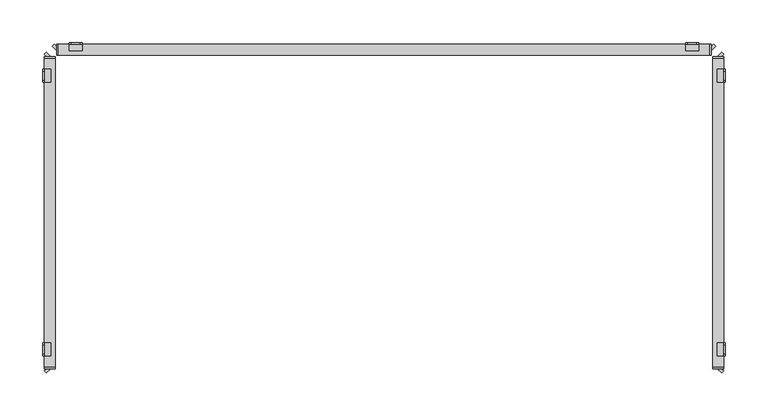
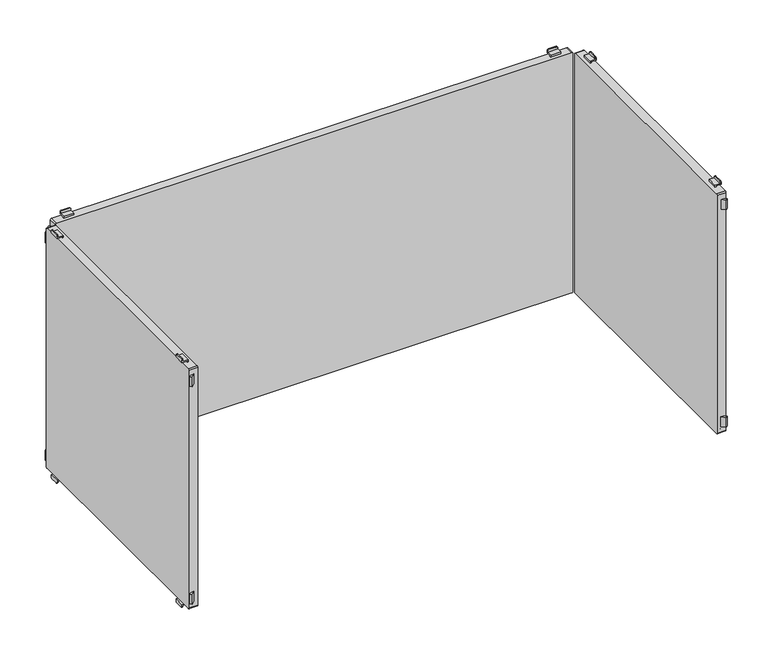
"""IFC4 building model written with IfcOpenShell, lengths in millimetres: furniture geometry."""

from ifc_helpers import new_model, si_unit, point, frame, frame_2d, origin, place, context, project, spatial, polyline, circle_curve, trimmed, segment, composite_curve, outline, extrude, source, transform, mapped, element, save
from ifc_brep_helpers import plane_surface, cylinder_surface, advanced_brep


def furniture_8095f266(model_context):
    return source(origin(), model_context, "Body", "SolidModel", [
        advanced_brep(
        [(352.5, 197.0, 915.5), (354.5, 197.0, 913.5), (365.5, 197.0, 913.5), (367.5, 197.0, 915.5), (367.5, 197.0, 917.0), (352.5, 197.0, 917.0), (352.5, 198.5, 918.5), (367.5, 198.5, 918.5), (367.5, 198.5, 915.5), (365.5, 198.5, 913.5), (354.5, 198.5, 913.5), (352.5, 198.5, 915.5), (352.5, 189.5011497, 917.0), (352.5, 189.5011497, 920.0), (352.5, 191.0011497, 920.0), (352.5, 191.0011497, 918.5), (367.5, 191.0011497, 918.5), (367.5, 191.0011497, 920.0), (367.5, 189.5011497, 920.0), (367.5, 189.5011497, 917.0)],
        [
            (0, 1, circle_curve(frame((354.5, 197.0, 915.5), z_axis=(0.0, -1.0, 0.0), x_axis=(1.0, 0.0, 0.0)), 2.0)),
            (1, 2),
            (2, 3, circle_curve(frame((365.5, 197.0, 915.5), z_axis=(0.0, -1.0, 0.0), x_axis=(1.0, 0.0, 0.0)), 2.0)),
            (3, 4),
            (4, 5),
            (5, 0),
            (6, 7),
            (7, 8),
            (8, 9, circle_curve(frame((365.5, 198.5, 915.5), z_axis=(0.0, 1.0, 0.0), x_axis=(1.0, 0.0, 0.0)), 2.0)),
            (9, 10),
            (10, 11, circle_curve(frame((354.5, 198.5, 915.5), z_axis=(0.0, 1.0, 0.0), x_axis=(1.0, 0.0, 0.0)), 2.0)),
            (11, 6),
            (11, 0),
            (5, 12),
            (12, 13),
            (13, 14),
            (14, 15),
            (15, 6),
            (10, 1),
            (9, 2),
            (8, 3),
            (7, 16),
            (16, 17),
            (17, 18),
            (18, 19),
            (19, 4),
            (15, 16),
            (12, 19),
            (18, 13),
            (17, 14),
        ],
        [
            plane_surface(frame((352.5, 197.0, 917.0), z_axis=(0.0, -1.0, 0.0), x_axis=(0.0, 0.0, -1.0))),
            plane_surface(frame((352.5, 198.5, 917.0), z_axis=(0.0, 1.0, 0.0), x_axis=(0.0, 0.0, 1.0))),
            plane_surface(frame((352.5, 197.0, 918.5), z_axis=(-1.0, 0.0, 0.0), x_axis=(0.0, 1.0, 0.0))),
            cylinder_surface(frame((354.5, 198.5, 915.5), z_axis=(0.0, -1.0, 0.0), x_axis=(1.0, 0.0, 0.0)), 2.0),
            plane_surface(frame((354.5, 197.0, 913.5), z_axis=(0.0, 0.0, -1.0), x_axis=(0.0, 1.0, 0.0))),
            cylinder_surface(frame((365.5, 198.5, 915.5), z_axis=(0.0, -1.0, 0.0), x_axis=(1.0, 0.0, 0.0)), 2.0),
            plane_surface(frame((367.5, 197.0, 915.5), z_axis=(1.0, 0.0, 0.0), x_axis=(0.0, 1.0, 0.0))),
            plane_surface(frame((367.5, 197.0, 918.5), z_axis=(0.0, 0.0, 1.0), x_axis=(0.0, 1.0, 0.0))),
            plane_surface(frame((352.5, 189.5011497, 917.0), z_axis=(0.0, -1.0, 0.0), x_axis=(1.0, 0.0, 0.0))),
            plane_surface(frame((352.5, 189.5011497, 920.0), z_axis=(0.0, 0.0, 1.0), x_axis=(1.0, 0.0, 0.0))),
            plane_surface(frame((352.5, 191.0011497, 920.0), z_axis=(0.0, 1.0, 0.0), x_axis=(1.0, 0.0, 0.0))),
            plane_surface(frame((352.5, 197.0, 917.0), z_axis=(0.0, 0.0, -1.0), x_axis=(1.0, 0.0, 0.0))),
        ],
        [
            (0, [[1, 2, 3, 4, 5, 6]]),
            (1, [[7, 8, 9, 10, 11, 12]]),
            (2, [[-12, 13, -6, 14, 15, 16, 17, 18]]),
            (3, [[-1, -13, -11, 19]]),
            (4, [[-2, -19, -10, 20]]),
            (5, [[-3, -20, -9, 21]]),
            (6, [[-8, 22, 23, 24, 25, 26, -4, -21]]),
            (7, [[-22, -7, -18, 27]]),
            (8, [[-15, 28, -25, 29]]),
            (9, [[-16, -29, -24, 30]]),
            (10, [[-17, -30, -23, -27]]),
            (11, [[-14, -5, -26, -28]]),
        ],
    ),
        advanced_brep(
        [(-367.5, 197.0, 915.5), (-365.5, 197.0, 913.5), (-354.5, 197.0, 913.5), (-352.5, 197.0, 915.5), (-352.5, 197.0, 917.0), (-367.5, 197.0, 917.0), (-352.5, 198.5, 918.5), (-352.5, 198.5, 915.5), (-354.5, 198.5, 913.5), (-365.5, 198.5, 913.5), (-367.5, 198.5, 915.5), (-367.5, 198.5, 918.5), (-367.5, 191.0011497, 918.5), (-352.5, 191.0011497, 918.5), (-367.5, 189.5011497, 917.0), (-367.5, 189.5011497, 920.0), (-367.5, 191.0011497, 920.0), (-352.5, 191.0011497, 920.0), (-352.5, 189.5011497, 920.0), (-352.5, 189.5011497, 917.0)],
        [
            (0, 1, circle_curve(frame((-365.5, 197.0, 915.5), z_axis=(0.0, -1.0, 0.0), x_axis=(1.0, 0.0, 0.0)), 2.0)),
            (1, 2),
            (2, 3, circle_curve(frame((-354.5, 197.0, 915.5), z_axis=(0.0, -1.0, 0.0), x_axis=(1.0, 0.0, 0.0)), 2.0)),
            (3, 4),
            (4, 5),
            (5, 0),
            (6, 7),
            (7, 8, circle_curve(frame((-354.5, 198.5, 915.5), z_axis=(0.0, 1.0, 0.0), x_axis=(1.0, 0.0, 0.0)), 2.0)),
            (8, 9),
            (9, 10, circle_curve(frame((-365.5, 198.5, 915.5), z_axis=(0.0, 1.0, 0.0), x_axis=(1.0, 0.0, 0.0)), 2.0)),
            (10, 11),
            (11, 6),
            (11, 12),
            (12, 13),
            (13, 6),
            (10, 0),
            (5, 14),
            (14, 15),
            (15, 16),
            (16, 12),
            (9, 1),
            (8, 2),
            (7, 3),
            (13, 17),
            (17, 18),
            (18, 19),
            (19, 4),
            (18, 15),
            (14, 19),
            (17, 16),
        ],
        [
            plane_surface(frame((352.5, 197.0, 917.0), z_axis=(0.0, -1.0, 0.0), x_axis=(0.0, 0.0, -1.0))),
            plane_surface(frame((352.5, 198.5, 917.0), z_axis=(0.0, 1.0, 0.0), x_axis=(0.0, 0.0, 1.0))),
            plane_surface(frame((-352.5, 197.0, 918.5), z_axis=(0.0, 0.0, 1.0), x_axis=(0.0, 1.0, 0.0))),
            plane_surface(frame((-367.5, 197.0, 918.5), z_axis=(-1.0, 0.0, 0.0), x_axis=(0.0, 1.0, 0.0))),
            cylinder_surface(frame((-365.5, 200.0, 915.5), z_axis=(0.0, -1.0, 0.0), x_axis=(1.0, 0.0, 0.0)), 2.0),
            plane_surface(frame((-365.5, 197.0, 913.5), z_axis=(0.0, 0.0, -1.0), x_axis=(0.0, 1.0, 0.0))),
            cylinder_surface(frame((-354.5, 200.0, 915.5), z_axis=(0.0, -1.0, 0.0), x_axis=(1.0, 0.0, 0.0)), 2.0),
            plane_surface(frame((-352.5, 197.0, 915.5), z_axis=(1.0, 0.0, 0.0), x_axis=(0.0, 1.0, 0.0))),
            plane_surface(frame((-352.5, 189.5011497, 920.0), z_axis=(0.0, -1.0, 0.0), x_axis=(-1.0, 0.0, 0.0))),
            plane_surface(frame((-352.5, 191.0011497, 920.0), z_axis=(0.0, 0.0, 1.0), x_axis=(-1.0, 0.0, 0.0))),
            plane_surface(frame((-352.5, 191.0011497, 918.5), z_axis=(0.0, 1.0, 0.0), x_axis=(-1.0, 0.0, 0.0))),
            plane_surface(frame((-352.5, 189.5011497, 917.0), z_axis=(0.0, 0.0, -1.0), x_axis=(-1.0, 0.0, 0.0))),
        ],
        [
            (0, [[1, 2, 3, 4, 5, 6]]),
            (1, [[7, 8, 9, 10, 11, 12]]),
            (2, [[-12, 13, 14, 15]]),
            (3, [[-11, 16, -6, 17, 18, 19, 20, -13]]),
            (4, [[-1, -16, -10, 21]]),
            (5, [[-2, -21, -9, 22]]),
            (6, [[-3, -22, -8, 23]]),
            (7, [[-7, -15, 24, 25, 26, 27, -4, -23]]),
            (8, [[-26, 28, -18, 29]]),
            (9, [[-25, 30, -19, -28]]),
            (10, [[-24, -14, -20, -30]]),
            (11, [[-27, -29, -17, -5]]),
        ],
    ),
        advanced_brep(
        [(367.5, 197.0, 1299.5), (365.5, 197.0, 1301.5), (354.5, 197.0, 1301.5), (352.5, 197.0, 1299.5), (352.5, 197.0, 1298.0), (367.5, 197.0, 1298.0), (352.5, 198.5, 1296.5), (352.5, 198.5, 1299.5), (354.5, 198.5, 1301.5), (365.5, 198.5, 1301.5), (367.5, 198.5, 1299.5), (367.5, 198.5, 1296.5), (352.5, 189.5011497, 1298.0), (352.5, 191.0011497, 1296.5), (352.5, 191.0011497, 1295.0), (352.5, 189.5011497, 1295.0), (367.5, 189.5011497, 1298.0), (367.5, 189.5011497, 1295.0), (367.5, 191.0011497, 1295.0), (367.5, 191.0011497, 1296.5)],
        [
            (0, 1, circle_curve(frame((365.5, 197.0, 1299.5), z_axis=(0.0, -1.0, 0.0), x_axis=(1.0, 0.0, 0.0)), 2.0)),
            (1, 2),
            (2, 3, circle_curve(frame((354.5, 197.0, 1299.5), z_axis=(0.0, -1.0, 0.0), x_axis=(1.0, 0.0, 0.0)), 2.0)),
            (3, 4),
            (4, 5),
            (5, 0),
            (6, 7),
            (7, 8, circle_curve(frame((354.5, 198.5, 1299.5), z_axis=(0.0, 1.0, 0.0), x_axis=(1.0, 0.0, 0.0)), 2.0)),
            (8, 9),
            (9, 10, circle_curve(frame((365.5, 198.5, 1299.5), z_axis=(0.0, 1.0, 0.0), x_axis=(1.0, 0.0, 0.0)), 2.0)),
            (10, 11),
            (11, 6),
            (12, 4),
            (3, 7),
            (6, 13),
            (13, 14),
            (14, 15),
            (15, 12),
            (16, 17),
            (17, 18),
            (18, 19),
            (19, 11),
            (10, 0),
            (5, 16),
            (19, 13),
            (9, 1),
            (8, 2),
            (12, 16),
            (18, 14),
            (17, 15),
        ],
        [
            plane_surface(frame((352.5, 197.0, 917.0), z_axis=(0.0, -1.0, 0.0), x_axis=(0.0, 0.0, -1.0))),
            plane_surface(frame((352.5, 198.5, 917.0), z_axis=(0.0, 1.0, 0.0), x_axis=(0.0, 0.0, 1.0))),
            plane_surface(frame((352.5, 197.0, 918.5), z_axis=(-1.0, 0.0, 0.0), x_axis=(0.0, 1.0, 0.0))),
            plane_surface(frame((367.5, 197.0, 915.5), z_axis=(1.0, 0.0, 0.0), x_axis=(0.0, 1.0, 0.0))),
            plane_surface(frame((352.5, 197.0, 1296.5), z_axis=(0.0, 0.0, -1.0), x_axis=(0.0, 1.0, 0.0))),
            cylinder_surface(frame((365.5, 200.0, 1299.5), z_axis=(0.0, -1.0, 0.0), x_axis=(1.0, 0.0, 0.0)), 2.0),
            plane_surface(frame((365.5, 197.0, 1301.5), z_axis=(0.0, 0.0, 1.0), x_axis=(0.0, 1.0, 0.0))),
            cylinder_surface(frame((354.5, 200.0, 1299.5), z_axis=(0.0, -1.0, 0.0), x_axis=(1.0, 0.0, 0.0)), 2.0),
            plane_surface(frame((352.5, 189.5011497, 1298.0), z_axis=(0.0, 0.0, 1.0), x_axis=(1.0, 0.0, 0.0))),
            plane_surface(frame((352.5, 191.0011497, 1296.5), z_axis=(0.0, 1.0, 0.0), x_axis=(1.0, 0.0, 0.0))),
            plane_surface(frame((352.5, 191.0011497, 1295.0), z_axis=(0.0, 0.0, -1.0), x_axis=(1.0, 0.0, 0.0))),
            plane_surface(frame((352.5, 189.5011497, 1295.0), z_axis=(0.0, -1.0, 0.0), x_axis=(1.0, 0.0, 0.0))),
        ],
        [
            (0, [[1, 2, 3, 4, 5, 6]]),
            (1, [[7, 8, 9, 10, 11, 12]]),
            (2, [[13, -4, 14, -7, 15, 16, 17, 18]]),
            (3, [[19, 20, 21, 22, -11, 23, -6, 24]]),
            (4, [[-15, -12, -22, 25]]),
            (5, [[-1, -23, -10, 26]]),
            (6, [[-2, -26, -9, 27]]),
            (7, [[-3, -27, -8, -14]]),
            (8, [[-13, 28, -24, -5]]),
            (9, [[-16, -25, -21, 29]]),
            (10, [[-17, -29, -20, 30]]),
            (11, [[-18, -30, -19, -28]]),
        ],
    ),
        advanced_brep(
        [(-352.5, 197.0, 1299.5), (-354.5, 197.0, 1301.5), (-365.5, 197.0, 1301.5), (-367.5, 197.0, 1299.5), (-367.5, 197.0, 1298.0), (-352.5, 197.0, 1298.0), (-352.5, 198.5, 1296.5), (-367.5, 198.5, 1296.5), (-367.5, 198.5, 1299.5), (-365.5, 198.5, 1301.5), (-354.5, 198.5, 1301.5), (-352.5, 198.5, 1299.5), (-367.5, 191.0011497, 1296.5), (-367.5, 191.0011497, 1295.0), (-367.5, 189.5011497, 1295.0), (-367.5, 189.5011497, 1298.0), (-352.5, 189.5011497, 1298.0), (-352.5, 189.5011497, 1295.0), (-352.5, 191.0011497, 1295.0), (-352.5, 191.0011497, 1296.5)],
        [
            (0, 1, circle_curve(frame((-354.5, 197.0, 1299.5), z_axis=(0.0, -1.0, 0.0), x_axis=(1.0, 0.0, 0.0)), 2.0)),
            (1, 2),
            (2, 3, circle_curve(frame((-365.5, 197.0, 1299.5), z_axis=(0.0, -1.0, 0.0), x_axis=(1.0, 0.0, 0.0)), 2.0)),
            (3, 4),
            (4, 5),
            (5, 0),
            (6, 7),
            (7, 8),
            (8, 9, circle_curve(frame((-365.5, 198.5, 1299.5), z_axis=(0.0, 1.0, 0.0), x_axis=(1.0, 0.0, 0.0)), 2.0)),
            (9, 10),
            (10, 11, circle_curve(frame((-354.5, 198.5, 1299.5), z_axis=(0.0, 1.0, 0.0), x_axis=(1.0, 0.0, 0.0)), 2.0)),
            (11, 6),
            (7, 12),
            (12, 13),
            (13, 14),
            (14, 15),
            (15, 4),
            (3, 8),
            (11, 0),
            (5, 16),
            (16, 17),
            (17, 18),
            (18, 19),
            (19, 6),
            (10, 1),
            (9, 2),
            (19, 12),
            (15, 16),
            (18, 13),
            (17, 14),
        ],
        [
            plane_surface(frame((352.5, 197.0, 917.0), z_axis=(0.0, -1.0, 0.0), x_axis=(0.0, 0.0, -1.0))),
            plane_surface(frame((352.5, 198.5, 917.0), z_axis=(0.0, 1.0, 0.0), x_axis=(0.0, 0.0, 1.0))),
            plane_surface(frame((-367.5, 197.0, 918.5), z_axis=(-1.0, 0.0, 0.0), x_axis=(0.0, 1.0, 0.0))),
            plane_surface(frame((-352.5, 197.0, 915.5), z_axis=(1.0, 0.0, 0.0), x_axis=(0.0, 1.0, 0.0))),
            cylinder_surface(frame((-354.5, 200.0, 1299.5), z_axis=(0.0, -1.0, 0.0), x_axis=(1.0, 0.0, 0.0)), 2.0),
            plane_surface(frame((-354.5, 197.0, 1301.5), z_axis=(0.0, 0.0, 1.0), x_axis=(0.0, 1.0, 0.0))),
            cylinder_surface(frame((-365.5, 200.0, 1299.5), z_axis=(0.0, -1.0, 0.0), x_axis=(1.0, 0.0, 0.0)), 2.0),
            plane_surface(frame((-367.5, 197.0, 1296.5), z_axis=(0.0, 0.0, -1.0), x_axis=(0.0, 1.0, 0.0))),
            plane_surface(frame((-352.5, 197.0, 1298.0), z_axis=(0.0, 0.0, 1.0), x_axis=(-1.0, 0.0, 0.0))),
            plane_surface(frame((-352.5, 191.0011497, 1295.0), z_axis=(0.0, 1.0, 0.0), x_axis=(-1.0, 0.0, 0.0))),
            plane_surface(frame((-352.5, 189.5011497, 1295.0), z_axis=(0.0, 0.0, -1.0), x_axis=(-1.0, 0.0, 0.0))),
            plane_surface(frame((-352.5, 189.5011497, 1298.0), z_axis=(0.0, -1.0, 0.0), x_axis=(-1.0, 0.0, 0.0))),
        ],
        [
            (0, [[1, 2, 3, 4, 5, 6]]),
            (1, [[7, 8, 9, 10, 11, 12]]),
            (2, [[-8, 13, 14, 15, 16, 17, -4, 18]]),
            (3, [[-12, 19, -6, 20, 21, 22, 23, 24]]),
            (4, [[-1, -19, -11, 25]]),
            (5, [[-2, -25, -10, 26]]),
            (6, [[-3, -26, -9, -18]]),
            (7, [[-7, -24, 27, -13]]),
            (8, [[-20, -5, -17, 28]]),
            (9, [[-23, 29, -14, -27]]),
            (10, [[-22, 30, -15, -29]]),
            (11, [[-21, -28, -16, -30]]),
        ],
    ),
        extrude(outline(polyline([(-385.3223305, 197.0), (-382.5, 194.1776695), (-382.5, 189.5011497), (-387.6605904, 194.6617401), (-385.3223305, 197.0)])), frame((0.0, 0.0, 930.0), z_axis=(0.0, 0.0, 1.0), x_axis=(1.0, 0.0, 0.0)), (0.0, 0.0, 1.0), 15.0),
        extrude(outline(polyline([(385.3223305, 197.0), (387.6605904, 194.6617401), (382.5, 189.5011497), (382.5, 194.1776695), (385.3223305, 197.0)])), frame((0.0, 0.0, 930.0), z_axis=(0.0, 0.0, 1.0), x_axis=(1.0, 0.0, 0.0)), (0.0, 0.0, 1.0), 15.0),
        extrude(outline(composite_curve([segment(trimmed(circle_curve(frame_2d((1293.2, 380.7)), 1.8), [point((1293.2, 382.5))], [point((1295.0, 380.7))], False, "CARTESIAN"), True, "CONTINUOUS"), segment(polyline([(1295.0, 380.7), (1295.0, -380.7)]), True, "CONTINUOUS"), segment(trimmed(circle_curve(frame_2d((1293.2, -380.7)), 1.8), [point((1295.0, -380.7))], [point((1293.2, -382.5))], False, "CARTESIAN"), True, "CONTINUOUS"), segment(polyline([(1293.2, -382.5), (921.8, -382.5)]), True, "CONTINUOUS"), segment(trimmed(circle_curve(frame_2d((921.8, -380.7)), 1.8), [point((921.8, -382.5))], [point((920.0, -380.7))], False, "CARTESIAN"), True, "CONTINUOUS"), segment(polyline([(920.0, -380.7), (920.0, 380.7)]), True, "CONTINUOUS"), segment(trimmed(circle_curve(frame_2d((921.8, 380.7)), 1.8), [point((920.0, 380.7))], [point((921.8, 382.5))], False, "CARTESIAN"), True, "CONTINUOUS"), segment(polyline([(921.8, 382.5), (1293.2, 382.5)]), True, "CONTINUOUS")], self_intersect=False)), frame((0.0, 183.999795, 0.0), z_axis=(0.0, 1.0, 0.0), x_axis=(0.0, 0.0, 1.0)), (0.0, 0.0, 1.0), 13.000205),
        extrude(outline(polyline([(-385.3223305, 197.0), (-382.5, 194.1776695), (-382.5, 189.5011497), (-387.6605904, 194.6617401), (-385.3223305, 197.0)])), frame((0.0, 0.0, 1270.0), z_axis=(0.0, 0.0, 1.0), x_axis=(1.0, 0.0, 0.0)), (0.0, 0.0, 1.0), 15.0),
        extrude(outline(polyline([(385.3223305, 197.0), (387.6605904, 194.6617401), (382.5, 189.5011497), (382.5, 194.1776695), (385.3223305, 197.0)])), frame((0.0, 0.0, 1270.0), z_axis=(0.0, 0.0, 1.0), x_axis=(1.0, 0.0, 0.0)), (0.0, 0.0, 1.0), 15.0),
        advanced_brep(
        [(397.0, 152.5, 915.5), (397.0, 152.5, 917.0), (397.0, 167.5, 917.0), (397.0, 167.5, 915.5), (397.0, 165.5, 913.5), (397.0, 154.5, 913.5), (398.5, 152.5, 918.5), (398.5, 152.5, 915.5), (398.5, 154.5, 913.5), (398.5, 165.5, 913.5), (398.5, 167.5, 915.5), (398.5, 167.5, 918.5), (391.0011497, 152.5, 918.5), (391.0011497, 152.5, 920.0), (389.5011497, 152.5, 920.0), (389.5011497, 152.5, 917.0), (389.5011497, 167.5, 917.0), (389.5011497, 167.5, 920.0), (391.0011497, 167.5, 920.0), (391.0011497, 167.5, 918.5)],
        [
            (0, 1),
            (1, 2),
            (2, 3),
            (3, 4, circle_curve(frame((397.0, 165.5, 915.5), z_axis=(-1.0, 0.0, 0.0), x_axis=(0.0, 1.0, 0.0)), 2.0)),
            (4, 5),
            (5, 0, circle_curve(frame((397.0, 154.5, 915.5), z_axis=(-1.0, 0.0, 0.0), x_axis=(0.0, 1.0, 0.0)), 2.0)),
            (6, 7),
            (7, 8, circle_curve(frame((398.5, 154.5, 915.5), z_axis=(1.0, 0.0, 0.0), x_axis=(0.0, 1.0, 0.0)), 2.0)),
            (8, 9),
            (9, 10, circle_curve(frame((398.5, 165.5, 915.5), z_axis=(1.0, 0.0, 0.0), x_axis=(0.0, 1.0, 0.0)), 2.0)),
            (10, 11),
            (11, 6),
            (6, 12),
            (12, 13),
            (13, 14),
            (14, 15),
            (15, 1),
            (0, 7),
            (5, 8),
            (4, 9),
            (3, 10),
            (2, 16),
            (16, 17),
            (17, 18),
            (18, 19),
            (19, 11),
            (19, 12),
            (14, 17),
            (16, 15),
            (13, 18),
        ],
        [
            plane_surface(frame((397.0, 152.5, 917.0), z_axis=(-1.0, 0.0, 0.0), x_axis=(0.0, 0.0, -1.0))),
            plane_surface(frame((398.5, 152.5, 917.0), z_axis=(1.0, 0.0, 0.0), x_axis=(0.0, 0.0, 1.0))),
            plane_surface(frame((397.0, 152.5, 918.5), z_axis=(0.0, -1.0, 0.0), x_axis=(1.0, 0.0, 0.0))),
            cylinder_surface(frame((398.5, 154.5, 915.5), z_axis=(-1.0, 0.0, 0.0), x_axis=(0.0, 1.0, 0.0)), 2.0),
            plane_surface(frame((397.0, 154.5, 913.5), z_axis=(0.0, 0.0, -1.0), x_axis=(1.0, 0.0, 0.0))),
            cylinder_surface(frame((398.5, 165.5, 915.5), z_axis=(-1.0, 0.0, 0.0), x_axis=(0.0, 1.0, 0.0)), 2.0),
            plane_surface(frame((397.0, 167.5, 915.5), z_axis=(0.0, 1.0, 0.0), x_axis=(1.0, 0.0, 0.0))),
            plane_surface(frame((397.0, 167.5, 918.5), z_axis=(0.0, 0.0, 1.0), x_axis=(1.0, 0.0, 0.0))),
            plane_surface(frame((389.5011497, 152.5, 917.0), z_axis=(-1.0, 0.0, 0.0), x_axis=(0.0, 1.0, 0.0))),
            plane_surface(frame((389.5011497, 152.5, 920.0), z_axis=(0.0, 0.0, 1.0), x_axis=(0.0, 1.0, 0.0))),
            plane_surface(frame((391.0011497, 152.5, 920.0), z_axis=(1.0, 0.0, 0.0), x_axis=(0.0, 1.0, 0.0))),
            plane_surface(frame((397.0, 152.5, 917.0), z_axis=(0.0, 0.0, -1.0), x_axis=(0.0, 1.0, 0.0))),
        ],
        [
            (0, [[1, 2, 3, 4, 5, 6]]),
            (1, [[7, 8, 9, 10, 11, 12]]),
            (2, [[13, 14, 15, 16, 17, -1, 18, -7]]),
            (3, [[19, -8, -18, -6]]),
            (4, [[20, -9, -19, -5]]),
            (5, [[21, -10, -20, -4]]),
            (6, [[-21, -3, 22, 23, 24, 25, 26, -11]]),
            (7, [[27, -13, -12, -26]]),
            (8, [[28, -23, 29, -16]]),
            (9, [[30, -24, -28, -15]]),
            (10, [[-27, -25, -30, -14]]),
            (11, [[-29, -22, -2, -17]]),
        ],
    ),
        advanced_brep(
        [(397.0, -167.5, 915.5), (397.0, -167.5, 917.0), (397.0, -152.5, 917.0), (397.0, -152.5, 915.5), (397.0, -154.5, 913.5), (397.0, -165.5, 913.5), (398.5, -152.5, 918.5), (398.5, -167.5, 918.5), (398.5, -167.5, 915.5), (398.5, -165.5, 913.5), (398.5, -154.5, 913.5), (398.5, -152.5, 915.5), (391.0011497, -152.5, 918.5), (391.0011497, -167.5, 918.5), (391.0011497, -167.5, 920.0), (389.5011497, -167.5, 920.0), (389.5011497, -167.5, 917.0), (389.5011497, -152.5, 917.0), (389.5011497, -152.5, 920.0), (391.0011497, -152.5, 920.0)],
        [
            (0, 1),
            (1, 2),
            (2, 3),
            (3, 4, circle_curve(frame((397.0, -154.5, 915.5), z_axis=(-1.0, 0.0, 0.0), x_axis=(0.0, 1.0, 0.0)), 2.0)),
            (4, 5),
            (5, 0, circle_curve(frame((397.0, -165.5, 915.5), z_axis=(-1.0, 0.0, 0.0), x_axis=(0.0, 1.0, 0.0)), 2.0)),
            (6, 7),
            (7, 8),
            (8, 9, circle_curve(frame((398.5, -165.5, 915.5), z_axis=(1.0, 0.0, 0.0), x_axis=(0.0, 1.0, 0.0)), 2.0)),
            (9, 10),
            (10, 11, circle_curve(frame((398.5, -154.5, 915.5), z_axis=(1.0, 0.0, 0.0), x_axis=(0.0, 1.0, 0.0)), 2.0)),
            (11, 6),
            (6, 12),
            (12, 13),
            (13, 7),
            (13, 14),
            (14, 15),
            (15, 16),
            (16, 1),
            (0, 8),
            (5, 9),
            (4, 10),
            (3, 11),
            (2, 17),
            (17, 18),
            (18, 19),
            (19, 12),
            (17, 16),
            (15, 18),
            (14, 19),
        ],
        [
            plane_surface(frame((397.0, 152.5, 917.0), z_axis=(-1.0, 0.0, 0.0), x_axis=(0.0, 0.0, -1.0))),
            plane_surface(frame((398.5, 152.5, 917.0), z_axis=(1.0, 0.0, 0.0), x_axis=(0.0, 0.0, 1.0))),
            plane_surface(frame((397.0, -152.5, 918.5), z_axis=(0.0, 0.0, 1.0), x_axis=(1.0, 0.0, 0.0))),
            plane_surface(frame((397.0, -167.5, 918.5), z_axis=(0.0, -1.0, 0.0), x_axis=(1.0, 0.0, 0.0))),
            cylinder_surface(frame((400.0, -165.5, 915.5), z_axis=(-1.0, 0.0, 0.0), x_axis=(0.0, 1.0, 0.0)), 2.0),
            plane_surface(frame((397.0, -165.5, 913.5), z_axis=(0.0, 0.0, -1.0), x_axis=(1.0, 0.0, 0.0))),
            cylinder_surface(frame((400.0, -154.5, 915.5), z_axis=(-1.0, 0.0, 0.0), x_axis=(0.0, 1.0, 0.0)), 2.0),
            plane_surface(frame((397.0, -152.5, 915.5), z_axis=(0.0, 1.0, 0.0), x_axis=(1.0, 0.0, 0.0))),
            plane_surface(frame((389.5011497, -152.5, 920.0), z_axis=(-1.0, 0.0, 0.0), x_axis=(0.0, -1.0, 0.0))),
            plane_surface(frame((391.0011497, -152.5, 920.0), z_axis=(0.0, 0.0, 1.0), x_axis=(0.0, -1.0, 0.0))),
            plane_surface(frame((391.0011497, -152.5, 918.5), z_axis=(1.0, 0.0, 0.0), x_axis=(0.0, -1.0, 0.0))),
            plane_surface(frame((389.5011497, -152.5, 917.0), z_axis=(0.0, 0.0, -1.0), x_axis=(0.0, -1.0, 0.0))),
        ],
        [
            (0, [[1, 2, 3, 4, 5, 6]]),
            (1, [[7, 8, 9, 10, 11, 12]]),
            (2, [[13, 14, 15, -7]]),
            (3, [[-15, 16, 17, 18, 19, -1, 20, -8]]),
            (4, [[21, -9, -20, -6]]),
            (5, [[22, -10, -21, -5]]),
            (6, [[23, -11, -22, -4]]),
            (7, [[-23, -3, 24, 25, 26, 27, -13, -12]]),
            (8, [[28, -18, 29, -25]]),
            (9, [[-29, -17, 30, -26]]),
            (10, [[-30, -16, -14, -27]]),
            (11, [[-2, -19, -28, -24]]),
        ],
    ),
        advanced_brep(
        [(397.0, 167.5, 1299.5), (397.0, 167.5, 1298.0), (397.0, 152.5, 1298.0), (397.0, 152.5, 1299.5), (397.0, 154.5, 1301.5), (397.0, 165.5, 1301.5), (398.5, 152.5, 1296.5), (398.5, 167.5, 1296.5), (398.5, 167.5, 1299.5), (398.5, 165.5, 1301.5), (398.5, 154.5, 1301.5), (398.5, 152.5, 1299.5), (389.5011497, 152.5, 1298.0), (389.5011497, 152.5, 1295.0), (391.0011497, 152.5, 1295.0), (391.0011497, 152.5, 1296.5), (389.5011497, 167.5, 1298.0), (391.0011497, 167.5, 1296.5), (391.0011497, 167.5, 1295.0), (389.5011497, 167.5, 1295.0)],
        [
            (0, 1),
            (1, 2),
            (2, 3),
            (3, 4, circle_curve(frame((397.0, 154.5, 1299.5), z_axis=(-1.0, 0.0, 0.0), x_axis=(0.0, 1.0, 0.0)), 2.0)),
            (4, 5),
            (5, 0, circle_curve(frame((397.0, 165.5, 1299.5), z_axis=(-1.0, 0.0, 0.0), x_axis=(0.0, 1.0, 0.0)), 2.0)),
            (6, 7),
            (7, 8),
            (8, 9, circle_curve(frame((398.5, 165.5, 1299.5), z_axis=(1.0, 0.0, 0.0), x_axis=(0.0, 1.0, 0.0)), 2.0)),
            (9, 10),
            (10, 11, circle_curve(frame((398.5, 154.5, 1299.5), z_axis=(1.0, 0.0, 0.0), x_axis=(0.0, 1.0, 0.0)), 2.0)),
            (11, 6),
            (12, 13),
            (13, 14),
            (14, 15),
            (15, 6),
            (11, 3),
            (2, 12),
            (16, 1),
            (0, 8),
            (7, 17),
            (17, 18),
            (18, 19),
            (19, 16),
            (15, 17),
            (5, 9),
            (4, 10),
            (16, 12),
            (14, 18),
            (13, 19),
        ],
        [
            plane_surface(frame((397.0, 152.5, 917.0), z_axis=(-1.0, 0.0, 0.0), x_axis=(0.0, 0.0, -1.0))),
            plane_surface(frame((398.5, 152.5, 917.0), z_axis=(1.0, 0.0, 0.0), x_axis=(0.0, 0.0, 1.0))),
            plane_surface(frame((397.0, 152.5, 918.5), z_axis=(0.0, -1.0, 0.0), x_axis=(1.0, 0.0, 0.0))),
            plane_surface(frame((397.0, 167.5, 915.5), z_axis=(0.0, 1.0, 0.0), x_axis=(1.0, 0.0, 0.0))),
            plane_surface(frame((397.0, 152.5, 1296.5), z_axis=(0.0, 0.0, -1.0), x_axis=(1.0, 0.0, 0.0))),
            cylinder_surface(frame((400.0, 165.5, 1299.5), z_axis=(-1.0, 0.0, 0.0), x_axis=(0.0, 1.0, 0.0)), 2.0),
            plane_surface(frame((397.0, 165.5, 1301.5), z_axis=(0.0, 0.0, 1.0), x_axis=(1.0, 0.0, 0.0))),
            cylinder_surface(frame((400.0, 154.5, 1299.5), z_axis=(-1.0, 0.0, 0.0), x_axis=(0.0, 1.0, 0.0)), 2.0),
            plane_surface(frame((389.5011497, 152.5, 1298.0), z_axis=(0.0, 0.0, 1.0), x_axis=(0.0, 1.0, 0.0))),
            plane_surface(frame((391.0011497, 152.5, 1296.5), z_axis=(1.0, 0.0, 0.0), x_axis=(0.0, 1.0, 0.0))),
            plane_surface(frame((391.0011497, 152.5, 1295.0), z_axis=(0.0, 0.0, -1.0), x_axis=(0.0, 1.0, 0.0))),
            plane_surface(frame((389.5011497, 152.5, 1295.0), z_axis=(-1.0, 0.0, 0.0), x_axis=(0.0, 1.0, 0.0))),
        ],
        [
            (0, [[1, 2, 3, 4, 5, 6]]),
            (1, [[7, 8, 9, 10, 11, 12]]),
            (2, [[13, 14, 15, 16, -12, 17, -3, 18]]),
            (3, [[19, -1, 20, -8, 21, 22, 23, 24]]),
            (4, [[25, -21, -7, -16]]),
            (5, [[26, -9, -20, -6]]),
            (6, [[27, -10, -26, -5]]),
            (7, [[-17, -11, -27, -4]]),
            (8, [[-2, -19, 28, -18]]),
            (9, [[29, -22, -25, -15]]),
            (10, [[30, -23, -29, -14]]),
            (11, [[-28, -24, -30, -13]]),
        ],
    ),
        advanced_brep(
        [(397.0, -152.5, 1299.5), (397.0, -152.5, 1298.0), (397.0, -167.5, 1298.0), (397.0, -167.5, 1299.5), (397.0, -165.5, 1301.5), (397.0, -154.5, 1301.5), (398.5, -152.5, 1296.5), (398.5, -152.5, 1299.5), (398.5, -154.5, 1301.5), (398.5, -165.5, 1301.5), (398.5, -167.5, 1299.5), (398.5, -167.5, 1296.5), (389.5011497, -167.5, 1298.0), (389.5011497, -167.5, 1295.0), (391.0011497, -167.5, 1295.0), (391.0011497, -167.5, 1296.5), (391.0011497, -152.5, 1296.5), (391.0011497, -152.5, 1295.0), (389.5011497, -152.5, 1295.0), (389.5011497, -152.5, 1298.0)],
        [
            (0, 1),
            (1, 2),
            (2, 3),
            (3, 4, circle_curve(frame((397.0, -165.5, 1299.5), z_axis=(-1.0, 0.0, 0.0), x_axis=(0.0, 1.0, 0.0)), 2.0)),
            (4, 5),
            (5, 0, circle_curve(frame((397.0, -154.5, 1299.5), z_axis=(-1.0, 0.0, 0.0), x_axis=(0.0, 1.0, 0.0)), 2.0)),
            (6, 7),
            (7, 8, circle_curve(frame((398.5, -154.5, 1299.5), z_axis=(1.0, 0.0, 0.0), x_axis=(0.0, 1.0, 0.0)), 2.0)),
            (8, 9),
            (9, 10, circle_curve(frame((398.5, -165.5, 1299.5), z_axis=(1.0, 0.0, 0.0), x_axis=(0.0, 1.0, 0.0)), 2.0)),
            (10, 11),
            (11, 6),
            (10, 3),
            (2, 12),
            (12, 13),
            (13, 14),
            (14, 15),
            (15, 11),
            (6, 16),
            (16, 17),
            (17, 18),
            (18, 19),
            (19, 1),
            (0, 7),
            (5, 8),
            (4, 9),
            (15, 16),
            (19, 12),
            (14, 17),
            (13, 18),
        ],
        [
            plane_surface(frame((397.0, 152.5, 917.0), z_axis=(-1.0, 0.0, 0.0), x_axis=(0.0, 0.0, -1.0))),
            plane_surface(frame((398.5, 152.5, 917.0), z_axis=(1.0, 0.0, 0.0), x_axis=(0.0, 0.0, 1.0))),
            plane_surface(frame((397.0, -167.5, 918.5), z_axis=(0.0, -1.0, 0.0), x_axis=(1.0, 0.0, 0.0))),
            plane_surface(frame((397.0, -152.5, 915.5), z_axis=(0.0, 1.0, 0.0), x_axis=(1.0, 0.0, 0.0))),
            cylinder_surface(frame((400.0, -154.5, 1299.5), z_axis=(-1.0, 0.0, 0.0), x_axis=(0.0, 1.0, 0.0)), 2.0),
            plane_surface(frame((397.0, -154.5, 1301.5), z_axis=(0.0, 0.0, 1.0), x_axis=(1.0, 0.0, 0.0))),
            cylinder_surface(frame((400.0, -165.5, 1299.5), z_axis=(-1.0, 0.0, 0.0), x_axis=(0.0, 1.0, 0.0)), 2.0),
            plane_surface(frame((397.0, -167.5, 1296.5), z_axis=(0.0, 0.0, -1.0), x_axis=(1.0, 0.0, 0.0))),
            plane_surface(frame((397.0, -152.5, 1298.0), z_axis=(0.0, 0.0, 1.0), x_axis=(0.0, -1.0, 0.0))),
            plane_surface(frame((391.0011497, -152.5, 1295.0), z_axis=(1.0, 0.0, 0.0), x_axis=(0.0, -1.0, 0.0))),
            plane_surface(frame((389.5011497, -152.5, 1295.0), z_axis=(0.0, 0.0, -1.0), x_axis=(0.0, -1.0, 0.0))),
            plane_surface(frame((389.5011497, -152.5, 1298.0), z_axis=(-1.0, 0.0, 0.0), x_axis=(0.0, -1.0, 0.0))),
        ],
        [
            (0, [[1, 2, 3, 4, 5, 6]]),
            (1, [[7, 8, 9, 10, 11, 12]]),
            (2, [[13, -3, 14, 15, 16, 17, 18, -11]]),
            (3, [[19, 20, 21, 22, 23, -1, 24, -7]]),
            (4, [[25, -8, -24, -6]]),
            (5, [[26, -9, -25, -5]]),
            (6, [[-13, -10, -26, -4]]),
            (7, [[-18, 27, -19, -12]]),
            (8, [[28, -14, -2, -23]]),
            (9, [[-27, -17, 29, -20]]),
            (10, [[-29, -16, 30, -21]]),
            (11, [[-30, -15, -28, -22]]),
        ],
    ),
        extrude(outline(polyline([(397.0, 185.3223305), (394.1776695, 182.5), (389.5011497, 182.5), (394.6617401, 187.6605904), (397.0, 185.3223305)])), frame((0.0, 0.0, 930.0), z_axis=(0.0, 0.0, 1.0), x_axis=(1.0, 0.0, 0.0)), (0.0, 0.0, 1.0), 15.0),
        extrude(outline(polyline([(397.0, -185.3223305), (394.6617401, -187.6605904), (389.5011497, -182.5), (394.1776695, -182.5), (397.0, -185.3223305)])), frame((0.0, 0.0, 930.0), z_axis=(0.0, 0.0, 1.0), x_axis=(1.0, 0.0, 0.0)), (0.0, 0.0, 1.0), 15.0),
        extrude(outline(composite_curve([segment(polyline([(182.5, 1293.2), (182.5, 921.8)]), True, "CONTINUOUS"), segment(trimmed(circle_curve(frame_2d((180.7, 921.8)), 1.8), [point((182.5, 921.8))], [point((180.7, 920.0))], False, "CARTESIAN"), True, "CONTINUOUS"), segment(polyline([(180.7, 920.0), (-180.7, 920.0)]), True, "CONTINUOUS"), segment(trimmed(circle_curve(frame_2d((-180.7, 921.8)), 1.8), [point((-180.7, 920.0))], [point((-182.5, 921.8))], False, "CARTESIAN"), True, "CONTINUOUS"), segment(polyline([(-182.5, 921.8), (-182.5, 1293.2)]), True, "CONTINUOUS"), segment(trimmed(circle_curve(frame_2d((-180.7, 1293.2)), 1.8), [point((-182.5, 1293.2))], [point((-180.7, 1295.0))], False, "CARTESIAN"), True, "CONTINUOUS"), segment(polyline([(-180.7, 1295.0), (180.7, 1295.0)]), True, "CONTINUOUS"), segment(trimmed(circle_curve(frame_2d((180.7, 1293.2)), 1.8), [point((180.7, 1295.0))], [point((182.5, 1293.2))], False, "CARTESIAN"), True, "CONTINUOUS")], self_intersect=False)), frame((383.999795, 0.0, 0.0), z_axis=(1.0, 0.0, 0.0), x_axis=(0.0, 1.0, 0.0)), (0.0, 0.0, 1.0), 13.000205),
        extrude(outline(polyline([(397.0, 185.3223305), (394.1776695, 182.5), (389.5011497, 182.5), (394.6617401, 187.6605904), (397.0, 185.3223305)])), frame((0.0, 0.0, 1270.0), z_axis=(0.0, 0.0, 1.0), x_axis=(1.0, 0.0, 0.0)), (0.0, 0.0, 1.0), 15.0),
        extrude(outline(polyline([(397.0, -185.3223305), (394.6617401, -187.6605904), (389.5011497, -182.5), (394.1776695, -182.5), (397.0, -185.3223305)])), frame((0.0, 0.0, 1270.0), z_axis=(0.0, 0.0, 1.0), x_axis=(1.0, 0.0, 0.0)), (0.0, 0.0, 1.0), 15.0),
        advanced_brep(
        [(-397.0, 152.5, 915.5), (-397.0, 154.5, 913.5), (-397.0, 165.5, 913.5), (-397.0, 167.5, 915.5), (-397.0, 167.5, 917.0), (-397.0, 152.5, 917.0), (-398.5, 152.5, 918.5), (-398.5, 167.5, 918.5), (-398.5, 167.5, 915.5), (-398.5, 165.5, 913.5), (-398.5, 154.5, 913.5), (-398.5, 152.5, 915.5), (-389.5011497, 152.5, 917.0), (-389.5011497, 152.5, 920.0), (-391.0011497, 152.5, 920.0), (-391.0011497, 152.5, 918.5), (-391.0011497, 167.5, 918.5), (-391.0011497, 167.5, 920.0), (-389.5011497, 167.5, 920.0), (-389.5011497, 167.5, 917.0)],
        [
            (0, 1, circle_curve(frame((-397.0, 154.5, 915.5), z_axis=(1.0, 0.0, 0.0), x_axis=(0.0, 1.0, 0.0)), 2.0)),
            (1, 2),
            (2, 3, circle_curve(frame((-397.0, 165.5, 915.5), z_axis=(1.0, 0.0, 0.0), x_axis=(0.0, 1.0, 0.0)), 2.0)),
            (3, 4),
            (4, 5),
            (5, 0),
            (6, 7),
            (7, 8),
            (8, 9, circle_curve(frame((-398.5, 165.5, 915.5), z_axis=(-1.0, 0.0, 0.0), x_axis=(0.0, 1.0, 0.0)), 2.0)),
            (9, 10),
            (10, 11, circle_curve(frame((-398.5, 154.5, 915.5), z_axis=(-1.0, 0.0, 0.0), x_axis=(0.0, 1.0, 0.0)), 2.0)),
            (11, 6),
            (11, 0),
            (5, 12),
            (12, 13),
            (13, 14),
            (14, 15),
            (15, 6),
            (10, 1),
            (9, 2),
            (8, 3),
            (7, 16),
            (16, 17),
            (17, 18),
            (18, 19),
            (19, 4),
            (15, 16),
            (12, 19),
            (18, 13),
            (17, 14),
        ],
        [
            plane_surface(frame((-397.0, 152.5, 917.0), z_axis=(1.0, 0.0, 0.0), x_axis=(0.0, 0.0, -1.0))),
            plane_surface(frame((-398.5, 152.5, 917.0), z_axis=(-1.0, 0.0, 0.0), x_axis=(0.0, 0.0, 1.0))),
            plane_surface(frame((-397.0, 152.5, 918.5), z_axis=(0.0, -1.0, 0.0), x_axis=(-1.0, 0.0, 0.0))),
            cylinder_surface(frame((-398.5, 154.5, 915.5), z_axis=(1.0, 0.0, 0.0), x_axis=(0.0, 1.0, 0.0)), 2.0),
            plane_surface(frame((-397.0, 154.5, 913.5), z_axis=(0.0, 0.0, -1.0), x_axis=(-1.0, 0.0, 0.0))),
            cylinder_surface(frame((-398.5, 165.5, 915.5), z_axis=(1.0, 0.0, 0.0), x_axis=(0.0, 1.0, 0.0)), 2.0),
            plane_surface(frame((-397.0, 167.5, 915.5), z_axis=(0.0, 1.0, 0.0), x_axis=(-1.0, 0.0, 0.0))),
            plane_surface(frame((-397.0, 167.5, 918.5), z_axis=(0.0, 0.0, 1.0), x_axis=(-1.0, 0.0, 0.0))),
            plane_surface(frame((-389.5011497, 152.5, 917.0), z_axis=(1.0, 0.0, 0.0), x_axis=(0.0, 1.0, 0.0))),
            plane_surface(frame((-389.5011497, 152.5, 920.0), z_axis=(0.0, 0.0, 1.0), x_axis=(0.0, 1.0, 0.0))),
            plane_surface(frame((-391.0011497, 152.5, 920.0), z_axis=(-1.0, 0.0, 0.0), x_axis=(0.0, 1.0, 0.0))),
            plane_surface(frame((-397.0, 152.5, 917.0), z_axis=(0.0, 0.0, -1.0), x_axis=(0.0, 1.0, 0.0))),
        ],
        [
            (0, [[1, 2, 3, 4, 5, 6]]),
            (1, [[7, 8, 9, 10, 11, 12]]),
            (2, [[-12, 13, -6, 14, 15, 16, 17, 18]]),
            (3, [[-1, -13, -11, 19]]),
            (4, [[-2, -19, -10, 20]]),
            (5, [[-3, -20, -9, 21]]),
            (6, [[-8, 22, 23, 24, 25, 26, -4, -21]]),
            (7, [[-22, -7, -18, 27]]),
            (8, [[-15, 28, -25, 29]]),
            (9, [[-16, -29, -24, 30]]),
            (10, [[-17, -30, -23, -27]]),
            (11, [[-14, -5, -26, -28]]),
        ],
    ),
        advanced_brep(
        [(-397.0, -167.5, 915.5), (-397.0, -165.5, 913.5), (-397.0, -154.5, 913.5), (-397.0, -152.5, 915.5), (-397.0, -152.5, 917.0), (-397.0, -167.5, 917.0), (-398.5, -152.5, 918.5), (-398.5, -152.5, 915.5), (-398.5, -154.5, 913.5), (-398.5, -165.5, 913.5), (-398.5, -167.5, 915.5), (-398.5, -167.5, 918.5), (-391.0011497, -167.5, 918.5), (-391.0011497, -152.5, 918.5), (-389.5011497, -167.5, 917.0), (-389.5011497, -167.5, 920.0), (-391.0011497, -167.5, 920.0), (-391.0011497, -152.5, 920.0), (-389.5011497, -152.5, 920.0), (-389.5011497, -152.5, 917.0)],
        [
            (0, 1, circle_curve(frame((-397.0, -165.5, 915.5), z_axis=(1.0, 0.0, 0.0), x_axis=(0.0, 1.0, 0.0)), 2.0)),
            (1, 2),
            (2, 3, circle_curve(frame((-397.0, -154.5, 915.5), z_axis=(1.0, 0.0, 0.0), x_axis=(0.0, 1.0, 0.0)), 2.0)),
            (3, 4),
            (4, 5),
            (5, 0),
            (6, 7),
            (7, 8, circle_curve(frame((-398.5, -154.5, 915.5), z_axis=(-1.0, 0.0, 0.0), x_axis=(0.0, 1.0, 0.0)), 2.0)),
            (8, 9),
            (9, 10, circle_curve(frame((-398.5, -165.5, 915.5), z_axis=(-1.0, 0.0, 0.0), x_axis=(0.0, 1.0, 0.0)), 2.0)),
            (10, 11),
            (11, 6),
            (11, 12),
            (12, 13),
            (13, 6),
            (10, 0),
            (5, 14),
            (14, 15),
            (15, 16),
            (16, 12),
            (9, 1),
            (8, 2),
            (7, 3),
            (13, 17),
            (17, 18),
            (18, 19),
            (19, 4),
            (18, 15),
            (14, 19),
            (17, 16),
        ],
        [
            plane_surface(frame((-397.0, 152.5, 917.0), z_axis=(1.0, 0.0, 0.0), x_axis=(0.0, 0.0, -1.0))),
            plane_surface(frame((-398.5, 152.5, 917.0), z_axis=(-1.0, 0.0, 0.0), x_axis=(0.0, 0.0, 1.0))),
            plane_surface(frame((-397.0, -152.5, 918.5), z_axis=(0.0, 0.0, 1.0), x_axis=(-1.0, 0.0, 0.0))),
            plane_surface(frame((-397.0, -167.5, 918.5), z_axis=(0.0, -1.0, 0.0), x_axis=(-1.0, 0.0, 0.0))),
            cylinder_surface(frame((-400.0, -165.5, 915.5), z_axis=(1.0, 0.0, 0.0), x_axis=(0.0, 1.0, 0.0)), 2.0),
            plane_surface(frame((-397.0, -165.5, 913.5), z_axis=(0.0, 0.0, -1.0), x_axis=(-1.0, 0.0, 0.0))),
            cylinder_surface(frame((-400.0, -154.5, 915.5), z_axis=(1.0, 0.0, 0.0), x_axis=(0.0, 1.0, 0.0)), 2.0),
            plane_surface(frame((-397.0, -152.5, 915.5), z_axis=(0.0, 1.0, 0.0), x_axis=(-1.0, 0.0, 0.0))),
            plane_surface(frame((-389.5011497, -152.5, 920.0), z_axis=(1.0, 0.0, 0.0), x_axis=(0.0, -1.0, 0.0))),
            plane_surface(frame((-391.0011497, -152.5, 920.0), z_axis=(0.0, 0.0, 1.0), x_axis=(0.0, -1.0, 0.0))),
            plane_surface(frame((-391.0011497, -152.5, 918.5), z_axis=(-1.0, 0.0, 0.0), x_axis=(0.0, -1.0, 0.0))),
            plane_surface(frame((-389.5011497, -152.5, 917.0), z_axis=(0.0, 0.0, -1.0), x_axis=(0.0, -1.0, 0.0))),
        ],
        [
            (0, [[1, 2, 3, 4, 5, 6]]),
            (1, [[7, 8, 9, 10, 11, 12]]),
            (2, [[-12, 13, 14, 15]]),
            (3, [[-11, 16, -6, 17, 18, 19, 20, -13]]),
            (4, [[-1, -16, -10, 21]]),
            (5, [[-2, -21, -9, 22]]),
            (6, [[-3, -22, -8, 23]]),
            (7, [[-7, -15, 24, 25, 26, 27, -4, -23]]),
            (8, [[-26, 28, -18, 29]]),
            (9, [[-25, 30, -19, -28]]),
            (10, [[-24, -14, -20, -30]]),
            (11, [[-27, -29, -17, -5]]),
        ],
    ),
        advanced_brep(
        [(-397.0, 167.5, 1299.5), (-397.0, 165.5, 1301.5), (-397.0, 154.5, 1301.5), (-397.0, 152.5, 1299.5), (-397.0, 152.5, 1298.0), (-397.0, 167.5, 1298.0), (-398.5, 152.5, 1296.5), (-398.5, 152.5, 1299.5), (-398.5, 154.5, 1301.5), (-398.5, 165.5, 1301.5), (-398.5, 167.5, 1299.5), (-398.5, 167.5, 1296.5), (-389.5011497, 152.5, 1298.0), (-391.0011497, 152.5, 1296.5), (-391.0011497, 152.5, 1295.0), (-389.5011497, 152.5, 1295.0), (-389.5011497, 167.5, 1298.0), (-389.5011497, 167.5, 1295.0), (-391.0011497, 167.5, 1295.0), (-391.0011497, 167.5, 1296.5)],
        [
            (0, 1, circle_curve(frame((-397.0, 165.5, 1299.5), z_axis=(1.0, 0.0, 0.0), x_axis=(0.0, 1.0, 0.0)), 2.0)),
            (1, 2),
            (2, 3, circle_curve(frame((-397.0, 154.5, 1299.5), z_axis=(1.0, 0.0, 0.0), x_axis=(0.0, 1.0, 0.0)), 2.0)),
            (3, 4),
            (4, 5),
            (5, 0),
            (6, 7),
            (7, 8, circle_curve(frame((-398.5, 154.5, 1299.5), z_axis=(-1.0, 0.0, 0.0), x_axis=(0.0, 1.0, 0.0)), 2.0)),
            (8, 9),
            (9, 10, circle_curve(frame((-398.5, 165.5, 1299.5), z_axis=(-1.0, 0.0, 0.0), x_axis=(0.0, 1.0, 0.0)), 2.0)),
            (10, 11),
            (11, 6),
            (12, 4),
            (3, 7),
            (6, 13),
            (13, 14),
            (14, 15),
            (15, 12),
            (16, 17),
            (17, 18),
            (18, 19),
            (19, 11),
            (10, 0),
            (5, 16),
            (19, 13),
            (9, 1),
            (8, 2),
            (12, 16),
            (18, 14),
            (17, 15),
        ],
        [
            plane_surface(frame((-397.0, 152.5, 917.0), z_axis=(1.0, 0.0, 0.0), x_axis=(0.0, 0.0, -1.0))),
            plane_surface(frame((-398.5, 152.5, 917.0), z_axis=(-1.0, 0.0, 0.0), x_axis=(0.0, 0.0, 1.0))),
            plane_surface(frame((-397.0, 152.5, 918.5), z_axis=(0.0, -1.0, 0.0), x_axis=(-1.0, 0.0, 0.0))),
            plane_surface(frame((-397.0, 167.5, 915.5), z_axis=(0.0, 1.0, 0.0), x_axis=(-1.0, 0.0, 0.0))),
            plane_surface(frame((-397.0, 152.5, 1296.5), z_axis=(0.0, 0.0, -1.0), x_axis=(-1.0, 0.0, 0.0))),
            cylinder_surface(frame((-400.0, 165.5, 1299.5), z_axis=(1.0, 0.0, 0.0), x_axis=(0.0, 1.0, 0.0)), 2.0),
            plane_surface(frame((-397.0, 165.5, 1301.5), z_axis=(0.0, 0.0, 1.0), x_axis=(-1.0, 0.0, 0.0))),
            cylinder_surface(frame((-400.0, 154.5, 1299.5), z_axis=(1.0, 0.0, 0.0), x_axis=(0.0, 1.0, 0.0)), 2.0),
            plane_surface(frame((-389.5011497, 152.5, 1298.0), z_axis=(0.0, 0.0, 1.0), x_axis=(0.0, 1.0, 0.0))),
            plane_surface(frame((-391.0011497, 152.5, 1296.5), z_axis=(-1.0, 0.0, 0.0), x_axis=(0.0, 1.0, 0.0))),
            plane_surface(frame((-391.0011497, 152.5, 1295.0), z_axis=(0.0, 0.0, -1.0), x_axis=(0.0, 1.0, 0.0))),
            plane_surface(frame((-389.5011497, 152.5, 1295.0), z_axis=(1.0, 0.0, 0.0), x_axis=(0.0, 1.0, 0.0))),
        ],
        [
            (0, [[1, 2, 3, 4, 5, 6]]),
            (1, [[7, 8, 9, 10, 11, 12]]),
            (2, [[13, -4, 14, -7, 15, 16, 17, 18]]),
            (3, [[19, 20, 21, 22, -11, 23, -6, 24]]),
            (4, [[-15, -12, -22, 25]]),
            (5, [[-1, -23, -10, 26]]),
            (6, [[-2, -26, -9, 27]]),
            (7, [[-3, -27, -8, -14]]),
            (8, [[-13, 28, -24, -5]]),
            (9, [[-16, -25, -21, 29]]),
            (10, [[-17, -29, -20, 30]]),
            (11, [[-18, -30, -19, -28]]),
        ],
    ),
        advanced_brep(
        [(-397.0, -152.5, 1299.5), (-397.0, -154.5, 1301.5), (-397.0, -165.5, 1301.5), (-397.0, -167.5, 1299.5), (-397.0, -167.5, 1298.0), (-397.0, -152.5, 1298.0), (-398.5, -152.5, 1296.5), (-398.5, -167.5, 1296.5), (-398.5, -167.5, 1299.5), (-398.5, -165.5, 1301.5), (-398.5, -154.5, 1301.5), (-398.5, -152.5, 1299.5), (-391.0011497, -167.5, 1296.5), (-391.0011497, -167.5, 1295.0), (-389.5011497, -167.5, 1295.0), (-389.5011497, -167.5, 1298.0), (-389.5011497, -152.5, 1298.0), (-389.5011497, -152.5, 1295.0), (-391.0011497, -152.5, 1295.0), (-391.0011497, -152.5, 1296.5)],
        [
            (0, 1, circle_curve(frame((-397.0, -154.5, 1299.5), z_axis=(1.0, 0.0, 0.0), x_axis=(0.0, 1.0, 0.0)), 2.0)),
            (1, 2),
            (2, 3, circle_curve(frame((-397.0, -165.5, 1299.5), z_axis=(1.0, 0.0, 0.0), x_axis=(0.0, 1.0, 0.0)), 2.0)),
            (3, 4),
            (4, 5),
            (5, 0),
            (6, 7),
            (7, 8),
            (8, 9, circle_curve(frame((-398.5, -165.5, 1299.5), z_axis=(-1.0, 0.0, 0.0), x_axis=(0.0, 1.0, 0.0)), 2.0)),
            (9, 10),
            (10, 11, circle_curve(frame((-398.5, -154.5, 1299.5), z_axis=(-1.0, 0.0, 0.0), x_axis=(0.0, 1.0, 0.0)), 2.0)),
            (11, 6),
            (7, 12),
            (12, 13),
            (13, 14),
            (14, 15),
            (15, 4),
            (3, 8),
            (11, 0),
            (5, 16),
            (16, 17),
            (17, 18),
            (18, 19),
            (19, 6),
            (10, 1),
            (9, 2),
            (19, 12),
            (15, 16),
            (18, 13),
            (17, 14),
        ],
        [
            plane_surface(frame((-397.0, 152.5, 917.0), z_axis=(1.0, 0.0, 0.0), x_axis=(0.0, 0.0, -1.0))),
            plane_surface(frame((-398.5, 152.5, 917.0), z_axis=(-1.0, 0.0, 0.0), x_axis=(0.0, 0.0, 1.0))),
            plane_surface(frame((-397.0, -167.5, 918.5), z_axis=(0.0, -1.0, 0.0), x_axis=(-1.0, 0.0, 0.0))),
            plane_surface(frame((-397.0, -152.5, 915.5), z_axis=(0.0, 1.0, 0.0), x_axis=(-1.0, 0.0, 0.0))),
            cylinder_surface(frame((-400.0, -154.5, 1299.5), z_axis=(1.0, 0.0, 0.0), x_axis=(0.0, 1.0, 0.0)), 2.0),
            plane_surface(frame((-397.0, -154.5, 1301.5), z_axis=(0.0, 0.0, 1.0), x_axis=(-1.0, 0.0, 0.0))),
            cylinder_surface(frame((-400.0, -165.5, 1299.5), z_axis=(1.0, 0.0, 0.0), x_axis=(0.0, 1.0, 0.0)), 2.0),
            plane_surface(frame((-397.0, -167.5, 1296.5), z_axis=(0.0, 0.0, -1.0), x_axis=(-1.0, 0.0, 0.0))),
            plane_surface(frame((-397.0, -152.5, 1298.0), z_axis=(0.0, 0.0, 1.0), x_axis=(0.0, -1.0, 0.0))),
            plane_surface(frame((-391.0011497, -152.5, 1295.0), z_axis=(-1.0, 0.0, 0.0), x_axis=(0.0, -1.0, 0.0))),
            plane_surface(frame((-389.5011497, -152.5, 1295.0), z_axis=(0.0, 0.0, -1.0), x_axis=(0.0, -1.0, 0.0))),
            plane_surface(frame((-389.5011497, -152.5, 1298.0), z_axis=(1.0, 0.0, 0.0), x_axis=(0.0, -1.0, 0.0))),
        ],
        [
            (0, [[1, 2, 3, 4, 5, 6]]),
            (1, [[7, 8, 9, 10, 11, 12]]),
            (2, [[-8, 13, 14, 15, 16, 17, -4, 18]]),
            (3, [[-12, 19, -6, 20, 21, 22, 23, 24]]),
            (4, [[-1, -19, -11, 25]]),
            (5, [[-2, -25, -10, 26]]),
            (6, [[-3, -26, -9, -18]]),
            (7, [[-7, -24, 27, -13]]),
            (8, [[-20, -5, -17, 28]]),
            (9, [[-23, 29, -14, -27]]),
            (10, [[-22, 30, -15, -29]]),
            (11, [[-21, -28, -16, -30]]),
        ],
    ),
        extrude(outline(polyline([(-397.0, -185.3223305), (-394.1776695, -182.5), (-389.5011497, -182.5), (-394.6617401, -187.6605904), (-397.0, -185.3223305)])), frame((0.0, 0.0, 930.0), z_axis=(0.0, 0.0, 1.0), x_axis=(1.0, 0.0, 0.0)), (0.0, 0.0, 1.0), 15.0),
        extrude(outline(polyline([(-397.0, 185.3223305), (-394.6617401, 187.6605904), (-389.5011497, 182.5), (-394.1776695, 182.5), (-397.0, 185.3223305)])), frame((0.0, 0.0, 930.0), z_axis=(0.0, 0.0, 1.0), x_axis=(1.0, 0.0, 0.0)), (0.0, 0.0, 1.0), 15.0),
        extrude(outline(composite_curve([segment(polyline([(182.5, 1293.2), (182.5, 921.8)]), True, "CONTINUOUS"), segment(trimmed(circle_curve(frame_2d((180.7, 921.8)), 1.8), [point((182.5, 921.8))], [point((180.7, 920.0))], False, "CARTESIAN"), True, "CONTINUOUS"), segment(polyline([(180.7, 920.0), (-180.7, 920.0)]), True, "CONTINUOUS"), segment(trimmed(circle_curve(frame_2d((-180.7, 921.8)), 1.8), [point((-180.7, 920.0))], [point((-182.5, 921.8))], False, "CARTESIAN"), True, "CONTINUOUS"), segment(polyline([(-182.5, 921.8), (-182.5, 1293.2)]), True, "CONTINUOUS"), segment(trimmed(circle_curve(frame_2d((-180.7, 1293.2)), 1.8), [point((-182.5, 1293.2))], [point((-180.7, 1295.0))], False, "CARTESIAN"), True, "CONTINUOUS"), segment(polyline([(-180.7, 1295.0), (180.7, 1295.0)]), True, "CONTINUOUS"), segment(trimmed(circle_curve(frame_2d((180.7, 1293.2)), 1.8), [point((180.7, 1295.0))], [point((182.5, 1293.2))], False, "CARTESIAN"), True, "CONTINUOUS")], self_intersect=False)), frame((-397.0, 0.0, 0.0), z_axis=(1.0, 0.0, 0.0), x_axis=(0.0, 1.0, 0.0)), (0.0, 0.0, 1.0), 13.000205),
        extrude(outline(polyline([(-397.0, -185.3223305), (-394.1776695, -182.5), (-389.5011497, -182.5), (-394.6617401, -187.6605904), (-397.0, -185.3223305)])), frame((0.0, 0.0, 1270.0), z_axis=(0.0, 0.0, 1.0), x_axis=(1.0, 0.0, 0.0)), (0.0, 0.0, 1.0), 15.0),
        extrude(outline(polyline([(-397.0, 185.3223305), (-394.6617401, 187.6605904), (-389.5011497, 182.5), (-394.1776695, 182.5), (-397.0, 185.3223305)])), frame((0.0, 0.0, 1270.0), z_axis=(0.0, 0.0, 1.0), x_axis=(1.0, 0.0, 0.0)), (0.0, 0.0, 1.0), 15.0),
    ])


if __name__ == "__main__":
    model = new_model("IFC4")
    model_context = context("Model", 3, world=origin())
    ifc_project = project(units=[si_unit("LENGTHUNIT", "METRE", prefix="MILLI")], contexts=[model_context])
    site = spatial("IfcSite", under=ifc_project)
    building = spatial("IfcBuilding", under=site)
    placement = place(None, origin())
    furniture_shape = furniture_8095f266(model_context)
    element("IfcFurniture", 1, at=placement, inside=building, context=model_context, shape_type="MappedRepresentation", body=[
        mapped(furniture_shape, transform((0.0, 0.0, 0.0), x_axis=(1.0, 0.0, 0.0), y_axis=(0.0, 1.0, 0.0), z_axis=(0.0, 0.0, 1.0))),
    ])
    save(model, "model.ifc")
